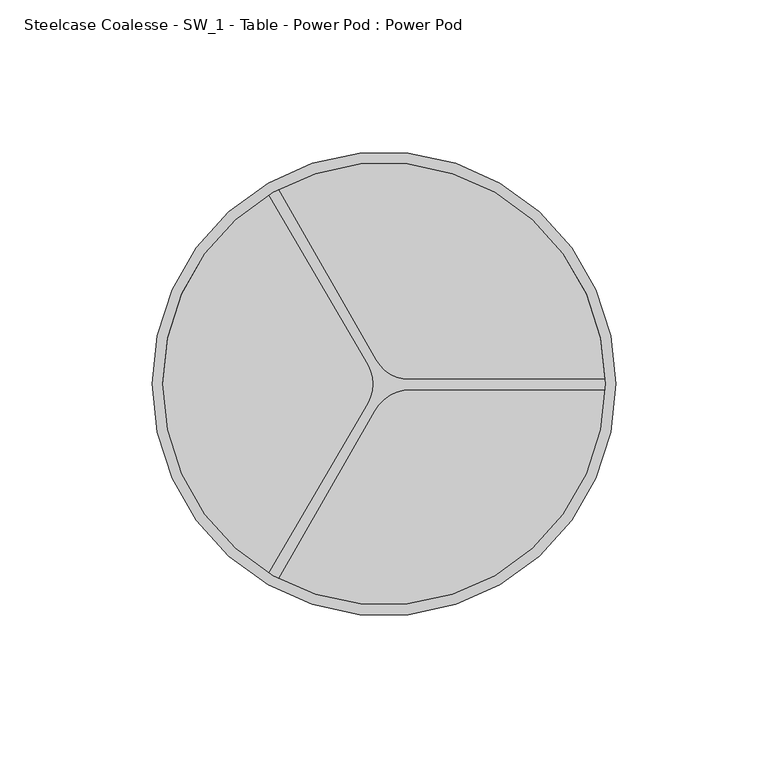
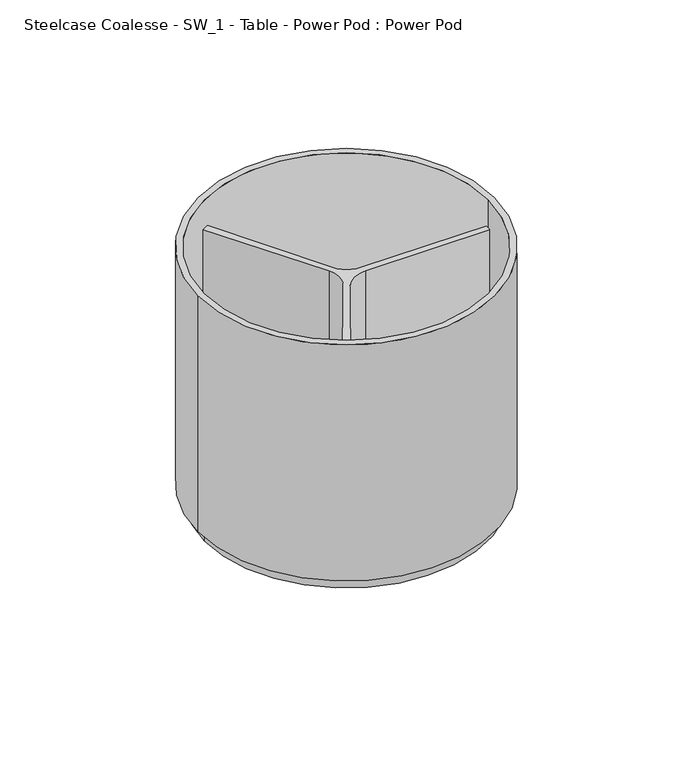
"""IFC4 building model written with IfcOpenShell, lengths in millimetres: furniture geometry, Steelcase Coalesse - SW_1 - Table - Power Pod : Power Pod."""

import ifcopenshell
import ifcopenshell.guid

model = None  # the IFC model being written
_history = None  # IfcOwnerHistory: only IFC2X3 demands one
_inside = {}  # id of a spatial element -> (the spatial element, [elements in it])
_under = {}  # id of a project, library or spatial element -> (it, [spatial elements below it])
_declared = {}  # id of a project -> (the project, [libraries it declares])
_typed = {}  # id of a type object -> (the type object, [elements of that type])
_made_of = {}  # id of a material, layer set ... -> (it, [elements and type objects made of it])


def new_model(schema):
    """Start an empty IFC model of exactly this schema.

    Asked for "IFC4X3", IfcOpenShell would pick the latest addendum, in which some entities
    have other attributes; the version numbers below select the first issue.
    IFC2X3 requires an IfcOwnerHistory on every rooted entity: one is made here for all.
    """
    global model, _history
    if schema == "IFC4X3":
        model = ifcopenshell.file(schema_version=(4, 3, 0, 0))
    else:
        model = ifcopenshell.file(schema=schema)
    _inside.clear()
    _under.clear()
    _declared.clear()
    _typed.clear()
    _made_of.clear()
    _history = None
    if model.schema == "IFC2X3":
        org = make("IfcOrganization", Name="unknown")
        user = make(
            "IfcPersonAndOrganization",
            ThePerson=make("IfcPerson", FamilyName="unknown"),
            TheOrganization=org,
        )
        app = make(
            "IfcApplication",
            ApplicationDeveloper=org,
            Version="unknown",
            ApplicationFullName="unknown",
            ApplicationIdentifier="unknown",
        )
        _history = make(
            "IfcOwnerHistory",
            OwningUser=user,
            OwningApplication=app,
            ChangeAction="ADDED",
            CreationDate=0,
        )
    return model


def make(cls, **values):
    """One entity of the class cls with the attributes given. An attribute that is None is left unset."""
    return model.create_entity(
        cls, **{name: value for name, value in values.items() if value is not None}
    )


def rooted(cls, **values):
    """An entity with a GlobalId (a new one), such as an element, a storey or a relation."""
    return make(cls, GlobalId=ifcopenshell.guid.new(), OwnerHistory=_history, **values)


def si_unit(unit_type, name, prefix=None):
    """IfcSIUnit, for example si_unit("LENGTHUNIT", "METRE", prefix="MILLI")."""
    return make("IfcSIUnit", UnitType=unit_type, Prefix=prefix, Name=name)


def assignment(units):
    """IfcUnitAssignment: the units of a project."""
    return None if units is None else make("IfcUnitAssignment", Units=units)


def point(xyz):
    """IfcCartesianPoint."""
    return None if xyz is None else make("IfcCartesianPoint", Coordinates=xyz)


def direction(xyz):
    """IfcDirection."""
    return None if xyz is None else make("IfcDirection", DirectionRatios=xyz)


def frame(location, z_axis=None, x_axis=None):
    """IfcAxis2Placement3D, a coordinate frame: its origin and axes. An axis left out is left unset."""
    return make(
        "IfcAxis2Placement3D",
        Location=point(location),
        Axis=direction(z_axis),
        RefDirection=direction(x_axis),
    )


def frame_2d(location, x_axis=None):
    """IfcAxis2Placement2D, a coordinate frame in the plane: its origin and x axis."""
    return make(
        "IfcAxis2Placement2D", Location=point(location), RefDirection=direction(x_axis)
    )


def origin():
    """The frame at (0, 0, 0) with its axes left unset."""
    return frame((0.0, 0.0, 0.0))


def origin_with_axes():
    """The frame at (0, 0, 0) with the z axis (0, 0, 1) and the x axis (1, 0, 0) written out."""
    return frame((0.0, 0.0, 0.0), z_axis=(0.0, 0.0, 1.0), x_axis=(1.0, 0.0, 0.0))


def origin_2d():
    """The frame at (0, 0) in the plane with its x axis left unset."""
    return frame_2d((0.0, 0.0))


def place(relative_to, where):
    """IfcLocalPlacement: puts the frame where relative to a parent placement (None: the world)."""
    return make(
        "IfcLocalPlacement", PlacementRelTo=relative_to, RelativePlacement=where
    )


def context(
    kind, dimensions, precision=None, world=None, true_north=None, identifier=None
):
    """IfcGeometricRepresentationContext, for example the 3D "Model" context."""
    return make(
        "IfcGeometricRepresentationContext",
        ContextIdentifier=identifier,
        ContextType=kind,
        CoordinateSpaceDimension=dimensions,
        Precision=precision,
        WorldCoordinateSystem=world,
        TrueNorth=true_north,
    )


def project(units=None, contexts=None):
    """IfcProject with its units and contexts."""
    return rooted(
        "IfcProject",
        Name="project",
        RepresentationContexts=contexts,
        UnitsInContext=assignment(units),
    )


def spatial(cls, under=None, at=None, **own):
    """A site, building, storey or space (cls), placed at a placement, below another one or the project."""
    s = rooted(cls, ObjectPlacement=at, **own)
    if under is not None:
        _under.setdefault(under.id(), (under, []))[1].append(s)
    return s


def polyline(points):
    """IfcPolyline through the points."""
    return make("IfcPolyline", Points=[point(p) for p in points])


def circle_curve(where, radius):
    """IfcCircle in the frame where."""
    return make("IfcCircle", Position=where, Radius=radius)


def trimmed(basis, trim1, trim2, sense, master):
    """IfcTrimmedCurve: the piece of a basis curve between two trims."""
    return make(
        "IfcTrimmedCurve",
        BasisCurve=basis,
        Trim1=trim1,
        Trim2=trim2,
        SenseAgreement=sense,
        MasterRepresentation=master,
    )


def segment(curve, same_sense, transition):
    """IfcCompositeCurveSegment."""
    return make(
        "IfcCompositeCurveSegment",
        Transition=transition,
        SameSense=same_sense,
        ParentCurve=curve,
    )


def composite_curve(segments, self_intersect=None):
    """IfcCompositeCurve: segments joined end to end."""
    return make("IfcCompositeCurve", Segments=segments, SelfIntersect=self_intersect)


def outline(outer, holes=None, kind="AREA"):
    """IfcArbitraryClosedProfileDef: a profile drawn as a closed curve; with holes, ...WithVoids."""
    if holes is None:
        return make("IfcArbitraryClosedProfileDef", ProfileType=kind, OuterCurve=outer)
    return make(
        "IfcArbitraryProfileDefWithVoids",
        ProfileType=kind,
        OuterCurve=outer,
        InnerCurves=holes,
    )


def extrude(swept, where, along, depth):
    """IfcExtrudedAreaSolid: the profile swept, set in the frame where, extruded along a direction by depth."""
    return make(
        "IfcExtrudedAreaSolid",
        SweptArea=swept,
        Position=where,
        ExtrudedDirection=direction(along),
        Depth=depth,
    )


def shape(context_of_items, identifier, shape_type, items):
    """IfcShapeRepresentation: the items that make up one representation, for example the "Body"."""
    return make(
        "IfcShapeRepresentation",
        ContextOfItems=context_of_items,
        RepresentationIdentifier=identifier,
        RepresentationType=shape_type,
        Items=items,
    )


def source(mapping_origin, context_of_items, identifier, shape_type, items):
    """IfcRepresentationMap: a shape defined once, which mapped items show again and again."""
    return make(
        "IfcRepresentationMap",
        MappingOrigin=mapping_origin,
        MappedRepresentation=shape(context_of_items, identifier, shape_type, items),
    )


def transform(
    local_origin,
    x_axis=None,
    y_axis=None,
    z_axis=None,
    scale=None,
    scale2=None,
    scale3=None,
    uniform=True,
):
    """IfcCartesianTransformationOperator3D, or its non-uniform kind. x_axis, y_axis, z_axis: its Axis1, 2, 3."""
    if uniform:
        return make(
            "IfcCartesianTransformationOperator3D",
            Axis1=direction(x_axis),
            Axis2=direction(y_axis),
            LocalOrigin=point(local_origin),
            Scale=scale,
            Axis3=direction(z_axis),
        )
    return make(
        "IfcCartesianTransformationOperator3DnonUniform",
        Axis1=direction(x_axis),
        Axis2=direction(y_axis),
        LocalOrigin=point(local_origin),
        Scale=scale,
        Axis3=direction(z_axis),
        Scale2=scale2,
        Scale3=scale3,
    )


def mapped(mapping_source, mapping_target):
    """IfcMappedItem: shows the shape of a source again, moved by a transform."""
    return make(
        "IfcMappedItem", MappingSource=mapping_source, MappingTarget=mapping_target
    )


def made_of(thing, what):
    """Note that an element or type object is made of a material, layer set ...; save() writes the relation."""
    if what is not None:
        _made_of.setdefault(what.id(), (what, []))[1].append(thing)
    return thing


def element(
    cls,
    number,
    at=None,
    inside=None,
    cuts=None,
    type_object=None,
    material=None,
    context=None,
    identifier="Body",
    shape_type=None,
    held_by="IfcProductDefinitionShape",
    body=None,
    shapes=None,
    **own,
):
    """One element of the class cls, such as IfcWall. Its Tag is "e" and its number.

    at: its placement. inside: the storey or other place that contains it. cuts: it is an
    opening in that element (IfcRelVoidsElement). A single representation is given by context,
    identifier, shape_type and body (its items); several are given by shapes. held_by: the class
    of the entity that holds the representations. save() writes the other relations.
    """
    e = rooted(cls, Tag="e%d" % number, ObjectPlacement=at, **own)
    if body is not None:
        shapes = [shape(context, identifier, shape_type, body)]
    if shapes is not None:
        e.Representation = make(held_by, Representations=shapes)
    if inside is not None:
        _inside.setdefault(inside.id(), (inside, []))[1].append(e)
    if cuts is not None:
        rooted(
            "IfcRelVoidsElement", RelatingBuildingElement=cuts, RelatedOpeningElement=e
        )
    if type_object is not None:
        _typed.setdefault(type_object.id(), (type_object, []))[1].append(e)
    return made_of(e, material)


def aggregate(whole, parts):
    """IfcRelAggregates: a whole, such as a stair, and the parts it consists of."""
    return rooted("IfcRelAggregates", RelatingObject=whole, RelatedObjects=parts)


def save(model, path):
    """Write the relations noted so far, then the file.

    IfcRelAggregates (storeys below a building ...), IfcRelContainedInSpatialStructure (elements
    in a storey), IfcRelDefinesByType, IfcRelAssociatesMaterial and IfcRelDeclares: one each for
    every whole, place, type object, material and project.
    """
    for whole, parts in _under.values():
        aggregate(whole, parts)
    for where, things in _inside.values():
        rooted(
            "IfcRelContainedInSpatialStructure",
            RelatedElements=things,
            RelatingStructure=where,
        )
    for kind, things in _typed.values():
        rooted("IfcRelDefinesByType", RelatedObjects=things, RelatingType=kind)
    for what, things in _made_of.values():
        rooted("IfcRelAssociatesMaterial", RelatedObjects=things, RelatingMaterial=what)
    for by, libraries in _declared.values():
        rooted("IfcRelDeclares", RelatingContext=by, RelatedDefinitions=libraries)
    model.write(path)


def plane_surface(at):
    """IfcPlane: the flat surface through the origin of the frame at, square to its z axis."""
    return make("IfcPlane", Position=at)


def cylinder_surface(at, radius):
    """IfcCylindricalSurface: all points at the distance radius from the z axis of the frame at."""
    return make("IfcCylindricalSurface", Position=at, Radius=radius)


def revolved_surface(curve, axis_point, axis_direction):
    """IfcSurfaceOfRevolution: the curve turned about the line through axis_point along axis_direction."""
    return make(
        "IfcSurfaceOfRevolution",
        SweptCurve=make("IfcArbitraryOpenProfileDef", ProfileType="CURVE", Curve=curve),
        AxisPosition=make("IfcAxis1Placement", Location=point(axis_point), Axis=direction(axis_direction)),
    )


def advanced_brep(points, edges, surfaces, faces):
    """IfcAdvancedBrep: a solid bounded by faces that lie on surfaces and meet in shared edges.

    An edge is (start, end): straight between two places in points (the first is 0);
    or (start, end, curve); or (start, end, curve, False) where it runs against its curve.
    A face is (place in surfaces, loops), or (place, loops, False) where it looks against
    its surface's normal. A loop lists edges by number (the first is 1), with a minus sign
    where the edge is run from its end to its start. The first loop is the outer one.
    """
    corners = [point(p) for p in points]
    vertices = [make("IfcVertexPoint", VertexGeometry=c) for c in corners]
    made = []
    for start, end, *more in edges:
        made.append(
            make(
                "IfcEdgeCurve",
                EdgeStart=vertices[start],
                EdgeEnd=vertices[end],
                EdgeGeometry=more[0] if more else make("IfcPolyline", Points=[corners[start], corners[end]]),
                SameSense=more[1] if len(more) > 1 else True,
            )
        )
    hull = []
    for where, loops, *sense in faces:
        bounds = []
        for j, loop in enumerate(loops):
            ring = [make("IfcOrientedEdge", EdgeElement=made[abs(k) - 1], Orientation=k > 0) for k in loop]
            bounds.append(
                make(
                    "IfcFaceOuterBound" if j == 0 else "IfcFaceBound",
                    Bound=make("IfcEdgeLoop", EdgeList=ring),
                    Orientation=True,
                )
            )
        hull.append(make("IfcAdvancedFace", Bounds=bounds, FaceSurface=surfaces[where], SameSense=sense[0] if sense else True))
    return make("IfcAdvancedBrep", Outer=make("IfcClosedShell", CfsFaces=hull))


def steelcase_coalesse_sw_1_table_power_pod_power_pod_04608cef(model_context):
    return source(origin(), model_context, "Body", "SolidModel", [
        extrude(outline(composite_curve([segment(trimmed(circle_curve(origin_2d(), 72.7197922), [point((-72.7197922, 0.0))], [point((72.7197922, 0.0))], False, "CARTESIAN"), True, "CONTINUOUS"), segment(trimmed(circle_curve(origin_2d(), 72.7197922), [point((72.7197922, 0.0))], [point((-72.7197922, 0.0))], False, "CARTESIAN"), True, "CONTINUOUS")], self_intersect=False)), frame((0.0, 0.0, 14.6856891), z_axis=(0.0, 0.0, 1.0), x_axis=(1.0, 0.0, 0.0)), (0.0, 0.0, 1.0), 10.522769),
        extrude(outline(composite_curve([segment(polyline([(-38.5673664, 63.3336973), (-35.3781458, 65.1749947), (-2.6801749, 7.9343602)]), True, "CONTINUOUS"), segment(trimmed(circle_curve(frame_2d((8.3981829, 14.2627286)), 12.7584583), [point((-2.6801749, 7.9343602))], [point((8.3641334, 1.5043158))], True, "CARTESIAN"), True, "CONTINUOUS"), segment(polyline([(8.3641334, 1.5043158), (74.8710897, 1.5043158), (74.8710897, -1.8595633), (8.9365033, -1.8595633)]), True, "CONTINUOUS"), segment(trimmed(circle_curve(frame_2d((8.9365033, -15.8951625)), 14.0355992), [point((8.9365033, -1.8595633))], [point((-3.2508148, -8.9333149))], True, "CARTESIAN"), True, "CONTINUOUS"), segment(polyline([(-3.2508148, -8.9333149), (-35.3781458, -65.1749947), (-38.5673664, -63.3336973), (-5.2269308, -6.3274152)]), True, "CONTINUOUS"), segment(trimmed(circle_curve(frame_2d((-16.0456982, 0.0)), 12.5332323), [point((-5.2269308, -6.3274152))], [point((-5.2269308, 6.3274152))], True, "CARTESIAN"), True, "CONTINUOUS"), segment(polyline([(-5.2269308, 6.3274152), (-38.5673664, 63.3336973)]), True, "CONTINUOUS")], self_intersect=False)), frame((0.0, 0.0, 20.9985791), z_axis=(0.0, 0.0, 1.0), x_axis=(1.0, 0.0, 0.0)), (0.0, 0.0, 1.0), 113.0041912),
        advanced_brep(
        [(-39.5234293, 0.0, 2.9685223), (39.5234293, 0.0, 2.9685223), (39.5234293, 0.0, 0.0), (-39.5234293, 0.0, 0.0), (-45.6630413, 0.0, 2.9685223), (45.6630413, 0.0, 2.9685223), (-69.6904107, 0.0, 14.6856891), (69.6904107, 0.0, 14.6856891), (-69.6904107, 0.0, 21.0356891), (69.6904107, 0.0, 21.0356891), (0.0, 0.0, 21.0356891), (0.0, 0.0, 0.0)],
        [
            (0, 1, circle_curve(frame((0.0, 0.0, 2.9685223), z_axis=(0.0, 0.0, -1.0), x_axis=(1.0, 0.0, 0.0)), 39.5234293)),
            (1, 2),
            (2, 3, circle_curve(origin_with_axes(), 39.5234293)),
            (3, 0),
            (1, 0, circle_curve(frame((0.0, 0.0, 2.9685223), z_axis=(0.0, 0.0, -1.0), x_axis=(1.0, 0.0, 0.0)), 39.5234293)),
            (3, 2, circle_curve(origin_with_axes(), 39.5234293)),
            (4, 5, circle_curve(frame((0.0, 0.0, 2.9685223), z_axis=(0.0, 0.0, -1.0), x_axis=(1.0, 0.0, 0.0)), 45.6630413)),
            (5, 1),
            (0, 4),
            (5, 4, circle_curve(frame((0.0, 0.0, 2.9685223), z_axis=(0.0, 0.0, -1.0), x_axis=(1.0, 0.0, 0.0)), 45.6630413)),
            (6, 7, circle_curve(frame((0.0, 0.0, 14.6856891), z_axis=(0.0, 0.0, -1.0), x_axis=(1.0, 0.0, 0.0)), 69.6904107)),
            (7, 5),
            (4, 6),
            (7, 6, circle_curve(frame((0.0, 0.0, 14.6856891), z_axis=(0.0, 0.0, -1.0), x_axis=(1.0, 0.0, 0.0)), 69.6904107)),
            (8, 9, circle_curve(frame((0.0, 0.0, 21.0356891), z_axis=(0.0, 0.0, -1.0), x_axis=(1.0, 0.0, 0.0)), 69.6904107)),
            (9, 7),
            (6, 8),
            (9, 8, circle_curve(frame((0.0, 0.0, 21.0356891), z_axis=(0.0, 0.0, -1.0), x_axis=(1.0, 0.0, 0.0)), 69.6904107)),
            (10, 9),
            (8, 10),
            (2, 11),
            (11, 3),
        ],
        [
            cylinder_surface(frame((0.0, 0.0, 180.8957536), z_axis=(0.0, 0.0, 1.0), x_axis=(1.0, 0.0, 0.0)), 39.5234293),
            plane_surface(frame((0.0, 0.0, 2.9685223), z_axis=(0.0, 0.0, -1.0), x_axis=(1.0, 0.0, 0.0))),
            revolved_surface(polyline([(45.6630413, 0.0, 2.9685223), (69.6904107, 0.0, 14.6856891)]), (0.0, 0.0, 180.8957536), (0.0, 0.0, 1.0)),
            cylinder_surface(frame((0.0, 0.0, 180.8957536), z_axis=(0.0, 0.0, 1.0), x_axis=(1.0, 0.0, 0.0)), 69.6904107),
            plane_surface(frame((0.0, 0.0, 21.0356891), z_axis=(0.0, 0.0, 1.0), x_axis=(1.0, 0.0, 0.0))),
            plane_surface(frame((0.0, 0.0, 0.0), z_axis=(0.0, 0.0, -1.0), x_axis=(1.0, 0.0, 0.0))),
        ],
        [
            (0, [[1, 2, 3, 4]]),
            (0, [[5, -4, 6, -2]]),
            (1, [[7, 8, -1, 9]]),
            (1, [[10, -9, -5, -8]]),
            (2, [[11, 12, -7, 13]]),
            (2, [[14, -13, -10, -12]]),
            (3, [[15, 16, -11, 17]]),
            (3, [[18, -17, -14, -16]]),
            (4, [[19, -15, 20]]),
            (4, [[-20, -18, -19]]),
            (5, [[-3, 21, 22]]),
            (5, [[-6, -22, -21]]),
        ],
    ),
        extrude(outline(composite_curve([segment(trimmed(circle_curve(origin_2d(), 76.2), [point((-76.2, 0.0))], [point((76.2, 0.0))], False, "CARTESIAN"), True, "CONTINUOUS"), segment(trimmed(circle_curve(origin_2d(), 76.2), [point((76.2, 0.0))], [point((-76.2, 0.0))], False, "CARTESIAN"), True, "CONTINUOUS")], self_intersect=False), holes=[composite_curve([segment(trimmed(circle_curve(origin_2d(), 72.7197922), [point((-72.7197922, 0.0))], [point((72.7197922, 0.0))], True, "CARTESIAN"), True, "CONTINUOUS"), segment(trimmed(circle_curve(origin_2d(), 72.7197922), [point((72.7197922, 0.0))], [point((-72.7197922, 0.0))], True, "CARTESIAN"), True, "CONTINUOUS")], self_intersect=False)]), frame((0.0, 0.0, 20.9986042), z_axis=(0.0, 0.0, 1.0), x_axis=(1.0, 0.0, 0.0)), (0.0, 0.0, 1.0), 128.0893452),
    ])


if __name__ == "__main__":
    model = new_model("IFC4")
    model_context = context("Model", 3, world=origin())
    ifc_project = project(units=[si_unit("LENGTHUNIT", "METRE", prefix="MILLI")], contexts=[model_context])
    site = spatial("IfcSite", under=ifc_project)
    building = spatial("IfcBuilding", under=site)
    placement = place(None, origin())
    steelcase_coalesse_sw_1_table_power_pod_power_pod_shape = steelcase_coalesse_sw_1_table_power_pod_power_pod_04608cef(model_context)
    element("IfcFurniture", 1, ObjectType="Steelcase Coalesse - SW_1 - Table - Power Pod : Power Pod", at=placement, inside=building, context=model_context, shape_type="MappedRepresentation", body=[
        mapped(steelcase_coalesse_sw_1_table_power_pod_power_pod_shape, transform((0.0, 0.0, 0.0), x_axis=(1.0, 0.0, 0.0), y_axis=(0.0, 1.0, 0.0), z_axis=(0.0, 0.0, 1.0))),
    ])
    save(model, "model.ifc")
